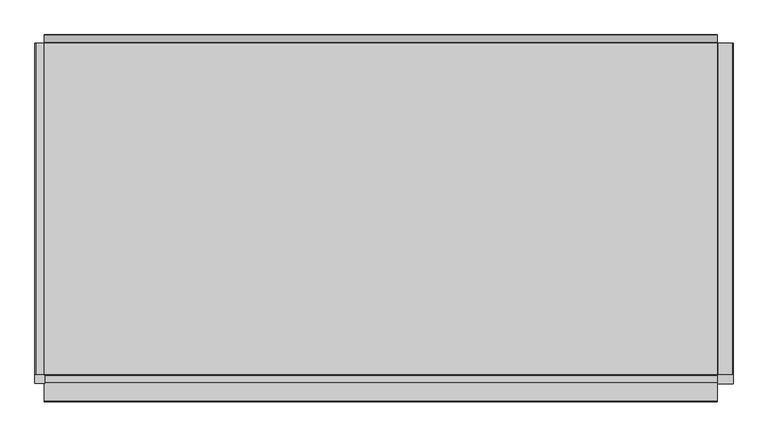
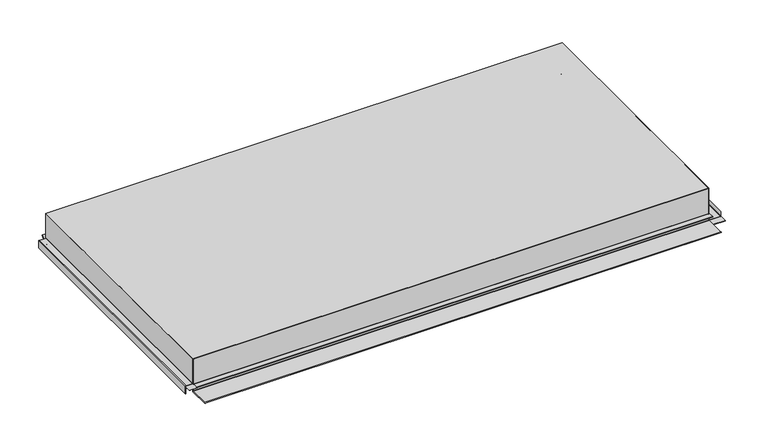
"""IFC4 building model written with IfcOpenShell, lengths in millimetres: proxy geometry."""

import ifcopenshell
import ifcopenshell.guid

model = None  # the IFC model being written
_history = None  # IfcOwnerHistory: only IFC2X3 demands one
_inside = {}  # id of a spatial element -> (the spatial element, [elements in it])
_under = {}  # id of a project, library or spatial element -> (it, [spatial elements below it])
_declared = {}  # id of a project -> (the project, [libraries it declares])
_typed = {}  # id of a type object -> (the type object, [elements of that type])
_made_of = {}  # id of a material, layer set ... -> (it, [elements and type objects made of it])


def new_model(schema):
    """Start an empty IFC model of exactly this schema.

    Asked for "IFC4X3", IfcOpenShell would pick the latest addendum, in which some entities
    have other attributes; the version numbers below select the first issue.
    IFC2X3 requires an IfcOwnerHistory on every rooted entity: one is made here for all.
    """
    global model, _history
    if schema == "IFC4X3":
        model = ifcopenshell.file(schema_version=(4, 3, 0, 0))
    else:
        model = ifcopenshell.file(schema=schema)
    _inside.clear()
    _under.clear()
    _declared.clear()
    _typed.clear()
    _made_of.clear()
    _history = None
    if model.schema == "IFC2X3":
        org = make("IfcOrganization", Name="unknown")
        user = make(
            "IfcPersonAndOrganization",
            ThePerson=make("IfcPerson", FamilyName="unknown"),
            TheOrganization=org,
        )
        app = make(
            "IfcApplication",
            ApplicationDeveloper=org,
            Version="unknown",
            ApplicationFullName="unknown",
            ApplicationIdentifier="unknown",
        )
        _history = make(
            "IfcOwnerHistory",
            OwningUser=user,
            OwningApplication=app,
            ChangeAction="ADDED",
            CreationDate=0,
        )
    return model


def make(cls, **values):
    """One entity of the class cls with the attributes given. An attribute that is None is left unset."""
    return model.create_entity(
        cls, **{name: value for name, value in values.items() if value is not None}
    )


def rooted(cls, **values):
    """An entity with a GlobalId (a new one), such as an element, a storey or a relation."""
    return make(cls, GlobalId=ifcopenshell.guid.new(), OwnerHistory=_history, **values)


def si_unit(unit_type, name, prefix=None):
    """IfcSIUnit, for example si_unit("LENGTHUNIT", "METRE", prefix="MILLI")."""
    return make("IfcSIUnit", UnitType=unit_type, Prefix=prefix, Name=name)


def assignment(units):
    """IfcUnitAssignment: the units of a project."""
    return None if units is None else make("IfcUnitAssignment", Units=units)


def point(xyz):
    """IfcCartesianPoint."""
    return None if xyz is None else make("IfcCartesianPoint", Coordinates=xyz)


def direction(xyz):
    """IfcDirection."""
    return None if xyz is None else make("IfcDirection", DirectionRatios=xyz)


def frame(location, z_axis=None, x_axis=None):
    """IfcAxis2Placement3D, a coordinate frame: its origin and axes. An axis left out is left unset."""
    return make(
        "IfcAxis2Placement3D",
        Location=point(location),
        Axis=direction(z_axis),
        RefDirection=direction(x_axis),
    )


def frame_2d(location, x_axis=None):
    """IfcAxis2Placement2D, a coordinate frame in the plane: its origin and x axis."""
    return make(
        "IfcAxis2Placement2D", Location=point(location), RefDirection=direction(x_axis)
    )


def origin():
    """The frame at (0, 0, 0) with its axes left unset."""
    return frame((0.0, 0.0, 0.0))


def place(relative_to, where):
    """IfcLocalPlacement: puts the frame where relative to a parent placement (None: the world)."""
    return make(
        "IfcLocalPlacement", PlacementRelTo=relative_to, RelativePlacement=where
    )


def context(
    kind, dimensions, precision=None, world=None, true_north=None, identifier=None
):
    """IfcGeometricRepresentationContext, for example the 3D "Model" context."""
    return make(
        "IfcGeometricRepresentationContext",
        ContextIdentifier=identifier,
        ContextType=kind,
        CoordinateSpaceDimension=dimensions,
        Precision=precision,
        WorldCoordinateSystem=world,
        TrueNorth=true_north,
    )


def project(units=None, contexts=None):
    """IfcProject with its units and contexts."""
    return rooted(
        "IfcProject",
        Name="project",
        RepresentationContexts=contexts,
        UnitsInContext=assignment(units),
    )


def spatial(cls, under=None, at=None, **own):
    """A site, building, storey or space (cls), placed at a placement, below another one or the project."""
    s = rooted(cls, ObjectPlacement=at, **own)
    if under is not None:
        _under.setdefault(under.id(), (under, []))[1].append(s)
    return s


def polyline(points):
    """IfcPolyline through the points."""
    return make("IfcPolyline", Points=[point(p) for p in points])


def circle_curve(where, radius):
    """IfcCircle in the frame where."""
    return make("IfcCircle", Position=where, Radius=radius)


def trimmed(basis, trim1, trim2, sense, master):
    """IfcTrimmedCurve: the piece of a basis curve between two trims."""
    return make(
        "IfcTrimmedCurve",
        BasisCurve=basis,
        Trim1=trim1,
        Trim2=trim2,
        SenseAgreement=sense,
        MasterRepresentation=master,
    )


def segment(curve, same_sense, transition):
    """IfcCompositeCurveSegment."""
    return make(
        "IfcCompositeCurveSegment",
        Transition=transition,
        SameSense=same_sense,
        ParentCurve=curve,
    )


def composite_curve(segments, self_intersect=None):
    """IfcCompositeCurve: segments joined end to end."""
    return make("IfcCompositeCurve", Segments=segments, SelfIntersect=self_intersect)


def outline(outer, holes=None, kind="AREA"):
    """IfcArbitraryClosedProfileDef: a profile drawn as a closed curve; with holes, ...WithVoids."""
    if holes is None:
        return make("IfcArbitraryClosedProfileDef", ProfileType=kind, OuterCurve=outer)
    return make(
        "IfcArbitraryProfileDefWithVoids",
        ProfileType=kind,
        OuterCurve=outer,
        InnerCurves=holes,
    )


def extrude(swept, where, along, depth):
    """IfcExtrudedAreaSolid: the profile swept, set in the frame where, extruded along a direction by depth."""
    return make(
        "IfcExtrudedAreaSolid",
        SweptArea=swept,
        Position=where,
        ExtrudedDirection=direction(along),
        Depth=depth,
    )


def faces_of(points, faces, orient=None, outer=None):
    """IfcFace entities. A face is a list of loops; a loop is a list of indices into points, from 0.

    orient and outer hold one flag for each loop. By default every Orientation is true, the
    first loop of a face is its IfcFaceOuterBound and the others are IfcFaceBound.
    """
    made = []
    for i, loops in enumerate(faces):
        bounds = []
        for j, loop in enumerate(loops):
            is_outer = j == 0 if outer is None else outer[i][j]
            bounds.append(
                make(
                    "IfcFaceOuterBound" if is_outer else "IfcFaceBound",
                    Bound=make("IfcPolyLoop", Polygon=[points[k] for k in loop]),
                    Orientation=True if orient is None else orient[i][j],
                )
            )
        made.append(make("IfcFace", Bounds=bounds))
    return made


def faceted_brep(points, faces, orient=None, outer=None, voids=None):
    """IfcFacetedBrep: a solid bounded by flat faces; with voids (closed shells), ...WithVoids."""
    shared = [point(p) for p in points]
    hull = make("IfcClosedShell", CfsFaces=faces_of(shared, faces, orient, outer))
    if voids is None:
        return make("IfcFacetedBrep", Outer=hull)
    return make(
        "IfcFacetedBrepWithVoids",
        Outer=hull,
        Voids=[
            make(cls, CfsFaces=faces_of(shared, fs, o, b)) for cls, fs, o, b in voids
        ],
    )


def shape(context_of_items, identifier, shape_type, items):
    """IfcShapeRepresentation: the items that make up one representation, for example the "Body"."""
    return make(
        "IfcShapeRepresentation",
        ContextOfItems=context_of_items,
        RepresentationIdentifier=identifier,
        RepresentationType=shape_type,
        Items=items,
    )


def source(mapping_origin, context_of_items, identifier, shape_type, items):
    """IfcRepresentationMap: a shape defined once, which mapped items show again and again."""
    return make(
        "IfcRepresentationMap",
        MappingOrigin=mapping_origin,
        MappedRepresentation=shape(context_of_items, identifier, shape_type, items),
    )


def transform(
    local_origin,
    x_axis=None,
    y_axis=None,
    z_axis=None,
    scale=None,
    scale2=None,
    scale3=None,
    uniform=True,
):
    """IfcCartesianTransformationOperator3D, or its non-uniform kind. x_axis, y_axis, z_axis: its Axis1, 2, 3."""
    if uniform:
        return make(
            "IfcCartesianTransformationOperator3D",
            Axis1=direction(x_axis),
            Axis2=direction(y_axis),
            LocalOrigin=point(local_origin),
            Scale=scale,
            Axis3=direction(z_axis),
        )
    return make(
        "IfcCartesianTransformationOperator3DnonUniform",
        Axis1=direction(x_axis),
        Axis2=direction(y_axis),
        LocalOrigin=point(local_origin),
        Scale=scale,
        Axis3=direction(z_axis),
        Scale2=scale2,
        Scale3=scale3,
    )


def mapped(mapping_source, mapping_target):
    """IfcMappedItem: shows the shape of a source again, moved by a transform."""
    return make(
        "IfcMappedItem", MappingSource=mapping_source, MappingTarget=mapping_target
    )


def made_of(thing, what):
    """Note that an element or type object is made of a material, layer set ...; save() writes the relation."""
    if what is not None:
        _made_of.setdefault(what.id(), (what, []))[1].append(thing)
    return thing


def element(
    cls,
    number,
    at=None,
    inside=None,
    cuts=None,
    type_object=None,
    material=None,
    context=None,
    identifier="Body",
    shape_type=None,
    held_by="IfcProductDefinitionShape",
    body=None,
    shapes=None,
    **own,
):
    """One element of the class cls, such as IfcWall. Its Tag is "e" and its number.

    at: its placement. inside: the storey or other place that contains it. cuts: it is an
    opening in that element (IfcRelVoidsElement). A single representation is given by context,
    identifier, shape_type and body (its items); several are given by shapes. held_by: the class
    of the entity that holds the representations. save() writes the other relations.
    """
    e = rooted(cls, Tag="e%d" % number, ObjectPlacement=at, **own)
    if body is not None:
        shapes = [shape(context, identifier, shape_type, body)]
    if shapes is not None:
        e.Representation = make(held_by, Representations=shapes)
    if inside is not None:
        _inside.setdefault(inside.id(), (inside, []))[1].append(e)
    if cuts is not None:
        rooted(
            "IfcRelVoidsElement", RelatingBuildingElement=cuts, RelatedOpeningElement=e
        )
    if type_object is not None:
        _typed.setdefault(type_object.id(), (type_object, []))[1].append(e)
    return made_of(e, material)


def aggregate(whole, parts):
    """IfcRelAggregates: a whole, such as a stair, and the parts it consists of."""
    return rooted("IfcRelAggregates", RelatingObject=whole, RelatedObjects=parts)


def save(model, path):
    """Write the relations noted so far, then the file.

    IfcRelAggregates (storeys below a building ...), IfcRelContainedInSpatialStructure (elements
    in a storey), IfcRelDefinesByType, IfcRelAssociatesMaterial and IfcRelDeclares: one each for
    every whole, place, type object, material and project.
    """
    for whole, parts in _under.values():
        aggregate(whole, parts)
    for where, things in _inside.values():
        rooted(
            "IfcRelContainedInSpatialStructure",
            RelatedElements=things,
            RelatingStructure=where,
        )
    for kind, things in _typed.values():
        rooted("IfcRelDefinesByType", RelatedObjects=things, RelatingType=kind)
    for what, things in _made_of.values():
        rooted("IfcRelAssociatesMaterial", RelatedObjects=things, RelatingMaterial=what)
    for by, libraries in _declared.values():
        rooted("IfcRelDeclares", RelatingContext=by, RelatedDefinitions=libraries)
    model.write(path)


def generic_models_f79e6f5b(model_context):
    return source(origin(), model_context, "Body", "SolidModel", [
        extrude(outline(composite_curve([segment(trimmed(circle_curve(frame_2d((17.2, -533.5)), 1.3), [point((15.9, -533.5))], [point((17.2, -532.2))], False, "CARTESIAN"), True, "CONTINUOUS"), segment(polyline([(17.2, -532.2), (70.33125, -532.2), (70.33125, -533.0), (17.2, -533.0)]), True, "CONTINUOUS"), segment(trimmed(circle_curve(frame_2d((17.2, -533.5)), 0.5), [point((17.2, -533.0))], [point((16.7, -533.5))], True, "CARTESIAN"), True, "CONTINUOUS"), segment(polyline([(16.7, -533.5), (16.7, -546.7)]), True, "CONTINUOUS"), segment(trimmed(circle_curve(frame_2d((15.4, -546.7)), 1.3), [point((16.7, -546.7))], [point((15.4, -548.0))], False, "CARTESIAN"), True, "CONTINUOUS"), segment(polyline([(15.4, -548.0), (0.33125, -548.0), (0.33125, -547.2), (15.4, -547.2)]), True, "CONTINUOUS"), segment(trimmed(circle_curve(frame_2d((15.4, -546.7)), 0.5), [point((15.4, -547.2))], [point((15.9, -546.7))], True, "CARTESIAN"), True, "CONTINUOUS"), segment(polyline([(15.9, -546.7), (15.9, -533.5)]), True, "CONTINUOUS")], self_intersect=False)), frame((0.0, -262.5, 0.0), z_axis=(0.0, 1.0, 0.0), x_axis=(0.0, 0.0, 1.0)), (0.0, 0.0, 1.0), 525.0),
        extrude(outline(polyline([(-548.0, -276.5), (-548.0, -262.5), (-532.2, -262.5), (-532.2, -276.5), (-548.0, -276.5)])), frame((0.0, 0.0, 15.9), z_axis=(0.0, 0.0, 1.0), x_axis=(1.0, 0.0, 0.0)), (0.0, 0.0, 1.0), 0.8),
        extrude(outline(composite_curve([segment(trimmed(circle_curve(frame_2d((1.63125, 556.4)), 1.3), [point((0.33125, 556.4))], [point((1.63125, 557.7))], False, "CARTESIAN"), True, "CONTINUOUS"), segment(polyline([(1.63125, 557.7), (11.33125, 557.7), (11.33125, 556.9), (1.63125, 556.9)]), True, "CONTINUOUS"), segment(trimmed(circle_curve(frame_2d((1.63125, 556.4)), 0.5), [point((1.63125, 556.9))], [point((1.13125, 556.4))], True, "CARTESIAN"), True, "CONTINUOUS"), segment(polyline([(1.13125, 556.4), (1.13125, 533.5)]), True, "CONTINUOUS"), segment(trimmed(circle_curve(frame_2d((1.63125, 533.5)), 0.5), [point((1.13125, 533.5))], [point((1.63125, 533.0))], True, "CARTESIAN"), True, "CONTINUOUS"), segment(polyline([(1.63125, 533.0), (70.33125, 533.0), (70.33125, 532.2), (1.63125, 532.2)]), True, "CONTINUOUS"), segment(trimmed(circle_curve(frame_2d((1.63125, 533.5)), 1.3), [point((1.63125, 532.2))], [point((0.33125, 533.5))], False, "CARTESIAN"), True, "CONTINUOUS"), segment(polyline([(0.33125, 533.5), (0.33125, 556.4)]), True, "CONTINUOUS")], self_intersect=False)), frame((0.0, -262.5, 0.0), z_axis=(0.0, 1.0, 0.0), x_axis=(0.0, 0.0, 1.0)), (0.0, 0.0, 1.0), 525.0),
        extrude(outline(polyline([(557.7, -277.5), (532.2, -277.5), (532.2, -262.5), (557.7, -262.5), (557.7, -277.5)])), frame((0.0, 0.0, 0.33125), z_axis=(0.0, 0.0, 1.0), x_axis=(1.0, 0.0, 0.0)), (0.0, 0.0, 1.0), 0.8),
        extrude(outline(composite_curve([segment(polyline([(-263.0, 0.0), (-305.15, 0.0)]), True, "CONTINUOUS"), segment(trimmed(circle_curve(frame_2d((-305.15, 0.85)), 0.85), [point((-305.15, 0.0))], [point((-305.15, 1.7))], False, "CARTESIAN"), True, "CONTINUOUS"), segment(polyline([(-305.15, 1.7), (-264.05, 1.7)]), True, "CONTINUOUS"), segment(trimmed(circle_curve(frame_2d((-264.05, 2.2)), 0.5), [point((-264.05, 1.7))], [point((-263.55, 2.2))], True, "CARTESIAN"), True, "CONTINUOUS"), segment(polyline([(-263.55, 2.2), (-263.55, 15.4)]), True, "CONTINUOUS"), segment(trimmed(circle_curve(frame_2d((-264.05, 15.4)), 0.5), [point((-263.55, 15.4))], [point((-264.05, 15.9))], True, "CARTESIAN"), True, "CONTINUOUS"), segment(polyline([(-264.05, 15.9), (-275.15, 15.9), (-275.15, 16.7), (-264.05, 16.7)]), True, "CONTINUOUS"), segment(trimmed(circle_curve(frame_2d((-264.05, 15.4)), 1.3), [point((-264.05, 16.7))], [point((-262.75, 15.4))], False, "CARTESIAN"), True, "CONTINUOUS"), segment(polyline([(-262.75, 15.4), (-262.75, 2.4014965)]), True, "CONTINUOUS"), segment(trimmed(circle_curve(frame_2d((-264.05, 2.4014965)), 1.3), [point((-262.75, 2.4014965))], [point((-264.05, 1.1014965))], False, "CARTESIAN"), True, "CONTINUOUS"), segment(polyline([(-264.05, 1.1014965), (-304.3115501, 1.1014965)]), True, "CONTINUOUS"), segment(trimmed(circle_curve(frame_2d((-304.3115501, 0.699934)), 0.4015625), [point((-304.3115501, 1.1014965))], [point((-304.3115501, 0.2983715))], True, "CARTESIAN"), True, "CONTINUOUS"), segment(polyline([(-304.3115501, 0.2983715), (-263.0, 0.2983715)]), True, "CONTINUOUS"), segment(trimmed(circle_curve(frame_2d((-263.0, 0.7983715)), 0.5), [point((-263.0, 0.2983715))], [point((-262.5, 0.7983715))], True, "CARTESIAN"), True, "CONTINUOUS"), segment(polyline([(-262.5, 0.7983715), (-262.5, 70.0), (-261.7, 70.0), (-261.7, 1.3)]), True, "CONTINUOUS"), segment(trimmed(circle_curve(frame_2d((-263.0, 1.3)), 1.3), [point((-261.7, 1.3))], [point((-263.0, 0.0))], False, "CARTESIAN"), True, "CONTINUOUS")], self_intersect=False)), frame((-533.0, 0.0, 0.0), z_axis=(1.0, 0.0, 0.0), x_axis=(0.0, 1.0, 0.0)), (0.0, 0.0, 1.0), 1066.0),
        extrude(outline(composite_curve([segment(trimmed(circle_curve(frame_2d((263.0, 3.3)), 0.5), [point((262.5, 3.3))], [point((263.4778194, 3.4472706))], True, "CARTESIAN"), True, "CONTINUOUS"), segment(polyline([(263.4778194, 3.4472706), (275.3707904, 15.3402417), (275.9627491, 14.748283), (264.2783838, 3.0639176)]), True, "CONTINUOUS"), segment(trimmed(circle_curve(frame_2d((263.0, 3.3)), 1.3), [point((264.2783838, 3.0639176))], [point((261.7, 3.3))], False, "CARTESIAN"), True, "CONTINUOUS"), segment(polyline([(261.7, 3.3), (261.7, 70.0), (262.5, 70.0), (262.5, 3.3)]), True, "CONTINUOUS")], self_intersect=False)), frame((-533.0, 0.0, 0.0), z_axis=(1.0, 0.0, 0.0), x_axis=(0.0, 1.0, 0.0)), (0.0, 0.0, 1.0), 1066.0),
        faceted_brep([(-533.0, -262.5, 71.0), (533.0, -262.5, 71.0), (533.0, 262.5, 71.0), (-533.0, 262.5, 71.0), (-533.0, -262.5, 70.0), (-533.0, -261.7, 70.0), (-533.0, 262.5, 70.0), (533.0, 262.5, 70.0), (533.0, -261.7, 70.0), (533.0, -262.5, 70.0)], [[[0, 1, 2, 3]], [[4, 5, 6, 7, 8, 9]], [[3, 6, 5, 4, 0]], [[2, 7, 6, 3]], [[1, 9, 8, 7, 2]], [[0, 4, 9, 1]]]),
    ])


if __name__ == "__main__":
    model = new_model("IFC4")
    model_context = context("Model", 3, world=origin())
    ifc_project = project(units=[si_unit("LENGTHUNIT", "METRE", prefix="MILLI")], contexts=[model_context])
    site = spatial("IfcSite", under=ifc_project)
    building = spatial("IfcBuilding", under=site)
    placement = place(None, origin())
    generic_models_shape = generic_models_f79e6f5b(model_context)
    element("IfcBuildingElementProxy", 1, Name="Generic Models", at=placement, inside=building, context=model_context, shape_type="MappedRepresentation", body=[
        mapped(generic_models_shape, transform((0.0, 0.0, 0.0), x_axis=(1.0, 0.0, 0.0), y_axis=(0.0, 1.0, 0.0), z_axis=(0.0, 0.0, 1.0))),
    ])
    save(model, "model.ifc")
